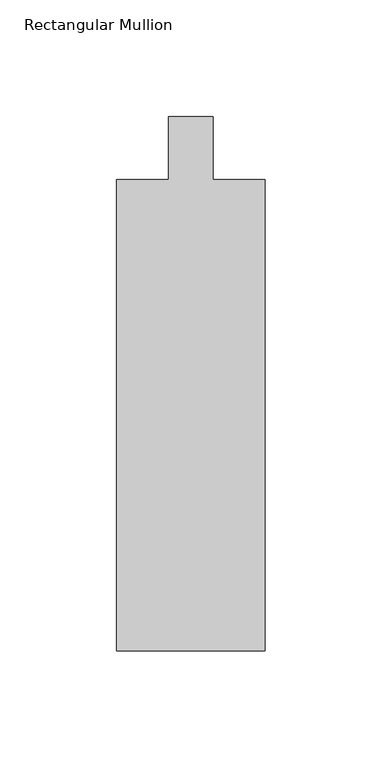
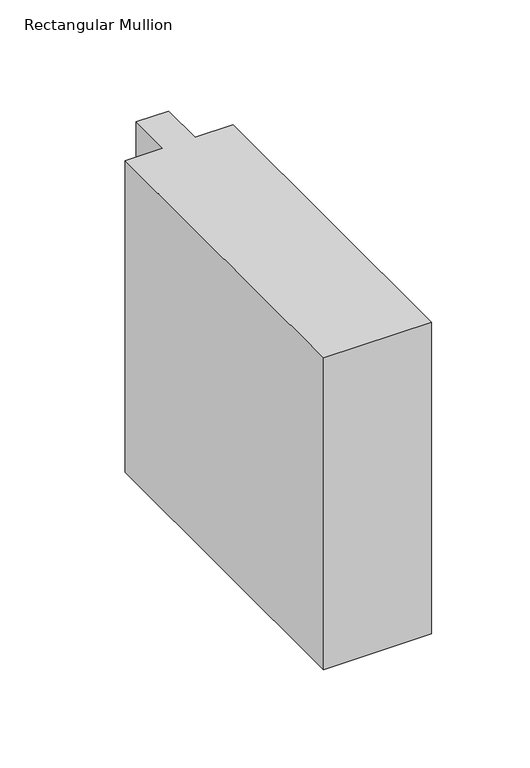
"""IFC4 building model written with IfcOpenShell, lengths in millimetres: member geometry, Rectangular Mullion."""

from ifc_helpers import new_model, si_unit, frame, origin, place, context, project, spatial, polyline, outline, extrude, source, transform, mapped, element, save


def rectangular_mullion_0407b4f7(model_context):
    return source(origin(), model_context, "Body", "SweptSolid", [
        extrude(outline(polyline([(-63.5, -228.6), (-63.5, -26.9875), (-41.275, -26.9875), (-41.275, 0.0), (-22.225, 0.0), (-22.225, -26.9875), (0.0, -26.9875), (0.0, -228.6), (-63.5, -228.6)])), frame((0.0, 0.0, -193.2164349), z_axis=(0.0, 0.0, 1.0), x_axis=(1.0, 0.0, 0.0)), (0.0, 0.0, 1.0), 193.2164349),
    ])


if __name__ == "__main__":
    model = new_model("IFC4")
    model_context = context("Model", 3, world=origin())
    ifc_project = project(units=[si_unit("LENGTHUNIT", "METRE", prefix="MILLI")], contexts=[model_context])
    site = spatial("IfcSite", under=ifc_project)
    building = spatial("IfcBuilding", under=site)
    placement = place(None, origin())
    rectangular_mullion_shape = rectangular_mullion_0407b4f7(model_context)
    element("IfcMember", 1, ObjectType="Rectangular Mullion", at=placement, inside=building, context=model_context, shape_type="MappedRepresentation", body=[
        mapped(rectangular_mullion_shape, transform((0.0, 0.0, 0.0), x_axis=(1.0, 0.0, 0.0), y_axis=(0.0, 1.0, 0.0), z_axis=(0.0, 0.0, 1.0))),
    ])
    save(model, "model.ifc")
